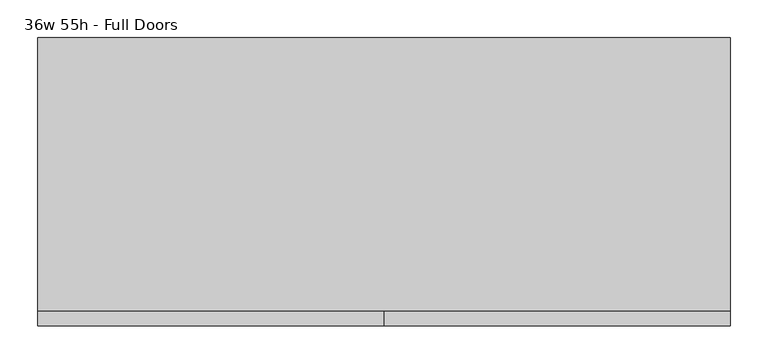
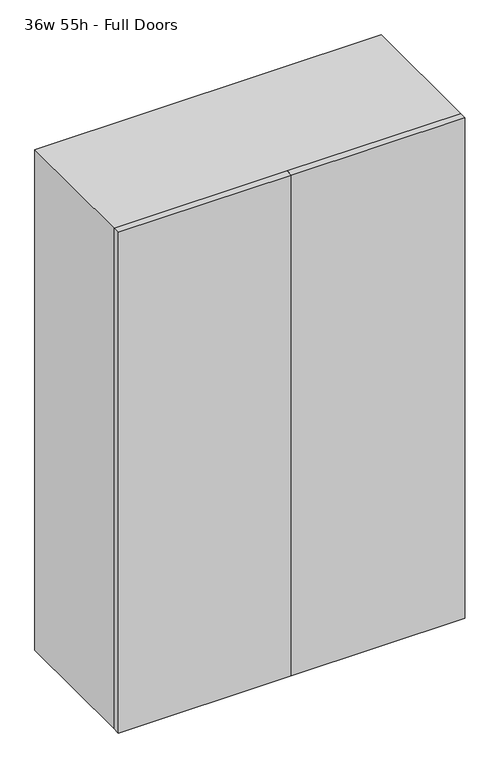
"""IFC4 building model written with IfcOpenShell, lengths in millimetres: furniture geometry, 36w 55h - Full Doors."""

from ifc_helpers import new_model, si_unit, frame, origin, place, context, project, spatial, polyline, outline, extrude, source, transform, mapped, element, save


def furniture_36w_55h_full_doors_9dd6226a(model_context):
    return source(origin(), model_context, "Body", "SweptSolid", [
        extrude(outline(polyline([(438.1569453, 161.925), (438.1569453, -180.975), (-438.1291641, -180.975), (-438.1291641, 161.925), (438.1569453, 161.925)])), frame((0.0, 0.0, 1664.7583333), z_axis=(0.0, 0.0, 1.0), x_axis=(1.0, 0.0, 0.0)), (0.0, 0.0, 1.0), 19.05),
        extrude(outline(polyline([(438.1569453, 161.925), (438.1569453, -180.975), (-438.1291641, -180.975), (-438.1291641, 161.925), (438.1569453, 161.925)])), frame((0.0, 0.0, 1186.3916667), z_axis=(0.0, 0.0, 1.0), x_axis=(1.0, 0.0, 0.0)), (0.0, 0.0, 1.0), 19.05),
        extrude(outline(polyline([(0.0138906, -200.025), (0.0138906, -180.975), (457.2138906, -180.975), (457.2138906, -200.025), (0.0138906, -200.025)])), frame((0.0, 0.0, 736.6), z_axis=(0.0, 0.0, 1.0), x_axis=(1.0, 0.0, 0.0)), (0.0, 0.0, 1.0), 1397.0),
        extrude(outline(polyline([(0.0138906, -200.025), (-457.1861094, -200.025), (-457.1861094, -180.975), (0.0138906, -180.975), (0.0138906, -200.025)])), frame((0.0, 0.0, 736.6), z_axis=(0.0, 0.0, 1.0), x_axis=(1.0, 0.0, 0.0)), (0.0, 0.0, 1.0), 1397.0),
        extrude(outline(polyline([(736.6, -457.1861094), (736.6, 457.2138906), (2133.6, 457.2138906), (2133.6, -457.1861094), (736.6, -457.1861094)]), holes=[polyline([(755.65, -438.1361094), (2114.55, -438.1361094), (2114.55, 438.1569453), (755.65, 438.1569453), (755.65, -438.1361094)])]), frame((0.0, -180.975, 0.0), z_axis=(0.0, 1.0, 0.0), x_axis=(0.0, 0.0, 1.0)), (0.0, 0.0, 1.0), 361.95),
        extrude(outline(polyline([(-438.1291641, 161.925), (-438.1291641, 180.975), (438.1569453, 180.975), (438.1569453, 161.925), (-438.1291641, 161.925)])), frame((0.0, 0.0, 755.65), z_axis=(0.0, 0.0, 1.0), x_axis=(1.0, 0.0, 0.0)), (0.0, 0.0, 1.0), 1358.9),
    ])


if __name__ == "__main__":
    model = new_model("IFC4")
    model_context = context("Model", 3, world=origin())
    ifc_project = project(units=[si_unit("LENGTHUNIT", "METRE", prefix="MILLI")], contexts=[model_context])
    site = spatial("IfcSite", under=ifc_project)
    building = spatial("IfcBuilding", under=site)
    placement = place(None, origin())
    furniture_36w_55h_full_doors_shape = furniture_36w_55h_full_doors_9dd6226a(model_context)
    element("IfcFurniture", 1, ObjectType="36w 55h - Full Doors", at=placement, inside=building, context=model_context, shape_type="MappedRepresentation", body=[
        mapped(furniture_36w_55h_full_doors_shape, transform((0.0, 0.0, 0.0), x_axis=(1.0, 0.0, 0.0), y_axis=(0.0, 1.0, 0.0), z_axis=(0.0, 0.0, 1.0))),
    ])
    save(model, "model.ifc")
